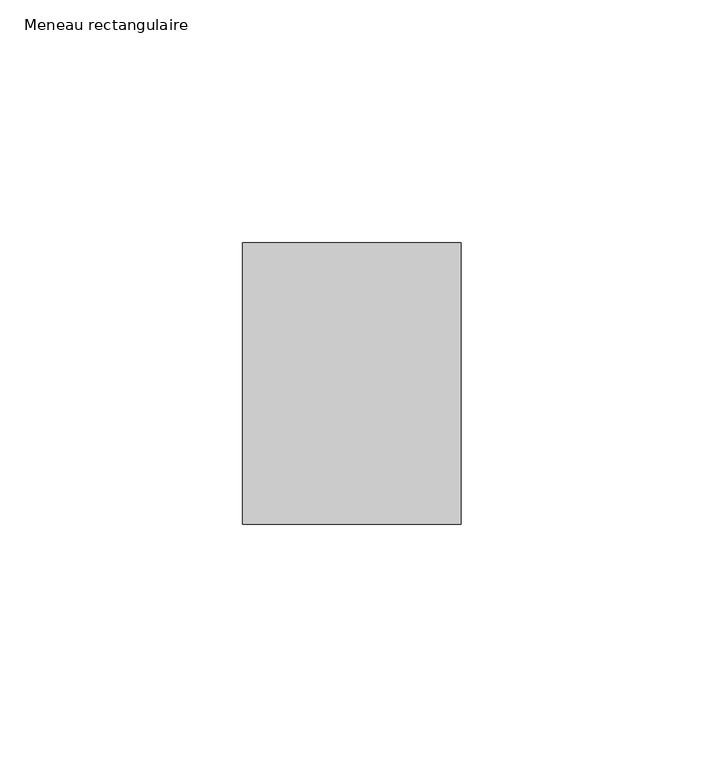
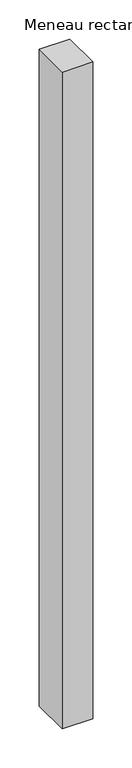
"""IFC4 building model written with IfcOpenShell, lengths in millimetres: member geometry, Meneau rectangulaire."""

from ifc_helpers import new_model, si_unit, frame, origin, place, context, project, spatial, polyline, outline, extrude, source, transform, mapped, element, save


def meneau_rectangulaire_3dec79c1(model_context):
    return source(origin(), model_context, "Body", "SweptSolid", [
        extrude(outline(polyline([(-45.0, 29.0), (0.0, 29.0), (0.0, -29.0), (-45.0, -29.0), (-45.0, 29.0)])), frame((0.0, 0.0, -1021.2164019), z_axis=(0.0, 0.0, 1.0), x_axis=(1.0, 0.0, 0.0)), (0.0, 0.0, 1.0), 1021.2164019),
    ])


if __name__ == "__main__":
    model = new_model("IFC4")
    model_context = context("Model", 3, world=origin())
    ifc_project = project(units=[si_unit("LENGTHUNIT", "METRE", prefix="MILLI")], contexts=[model_context])
    site = spatial("IfcSite", under=ifc_project)
    building = spatial("IfcBuilding", under=site)
    placement = place(None, origin())
    meneau_rectangulaire_shape = meneau_rectangulaire_3dec79c1(model_context)
    element("IfcMember", 1, ObjectType="Meneau rectangulaire", at=placement, inside=building, context=model_context, shape_type="MappedRepresentation", body=[
        mapped(meneau_rectangulaire_shape, transform((0.0, 0.0, 0.0), x_axis=(1.0, 0.0, 0.0), y_axis=(0.0, 1.0, 0.0), z_axis=(0.0, 0.0, 1.0))),
    ])
    save(model, "model.ifc")
